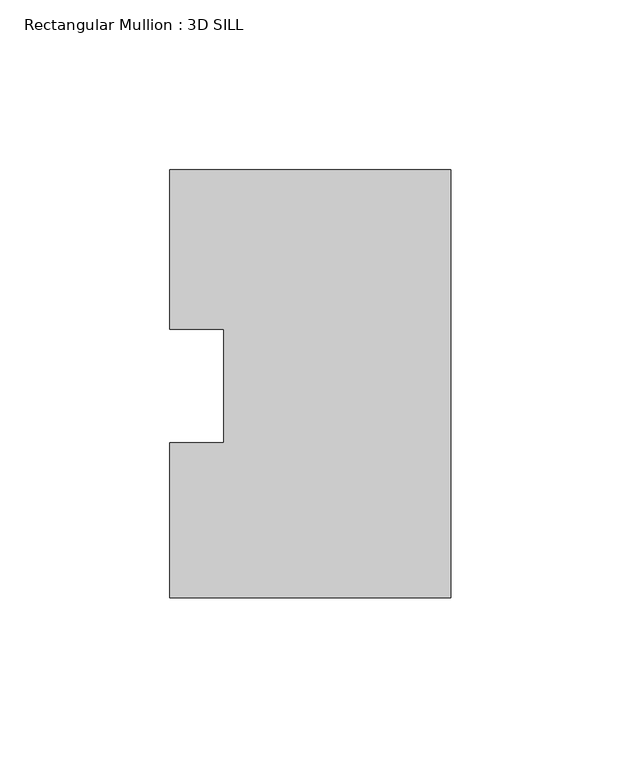
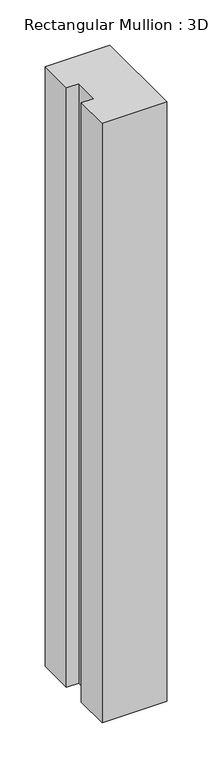
"""IFC4 building model written with IfcOpenShell, lengths in millimetres: member geometry, Rectangular Mullion : 3D SILL."""

from ifc_helpers import new_model, si_unit, frame, origin, place, context, project, spatial, polyline, outline, extrude, source, transform, mapped, element, save


def rectangular_mullion_3d_sill_91fe3f6c(model_context):
    return source(origin(), model_context, "Body", "SweptSolid", [
        extrude(outline(polyline([(-82.5548917, 16.7234075), (-82.5548917, 63.5107262), (0.0, 63.5107262), (0.0, -62.2700738), (-82.5548917, -62.2700738), (-82.5548917, -16.7234075), (-66.6798917, -16.7234075), (-66.6798917, 16.7234075), (-82.5548917, 16.7234075)])), frame((0.0, 0.0, -809.625), z_axis=(0.0, 0.0, 1.0), x_axis=(1.0, 0.0, 0.0)), (0.0, 0.0, 1.0), 809.625),
    ])


if __name__ == "__main__":
    model = new_model("IFC4")
    model_context = context("Model", 3, world=origin())
    ifc_project = project(units=[si_unit("LENGTHUNIT", "METRE", prefix="MILLI")], contexts=[model_context])
    site = spatial("IfcSite", under=ifc_project)
    building = spatial("IfcBuilding", under=site)
    placement = place(None, origin())
    rectangular_mullion_3d_sill_shape = rectangular_mullion_3d_sill_91fe3f6c(model_context)
    element("IfcMember", 1, ObjectType="Rectangular Mullion : 3D SILL", at=placement, inside=building, context=model_context, shape_type="MappedRepresentation", body=[
        mapped(rectangular_mullion_3d_sill_shape, transform((0.0, 0.0, 0.0), x_axis=(1.0, 0.0, 0.0), y_axis=(0.0, 1.0, 0.0), z_axis=(0.0, 0.0, 1.0))),
    ])
    save(model, "model.ifc")
